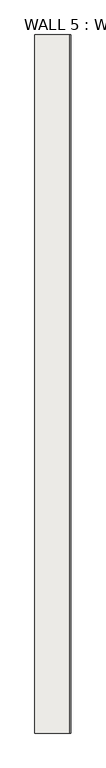
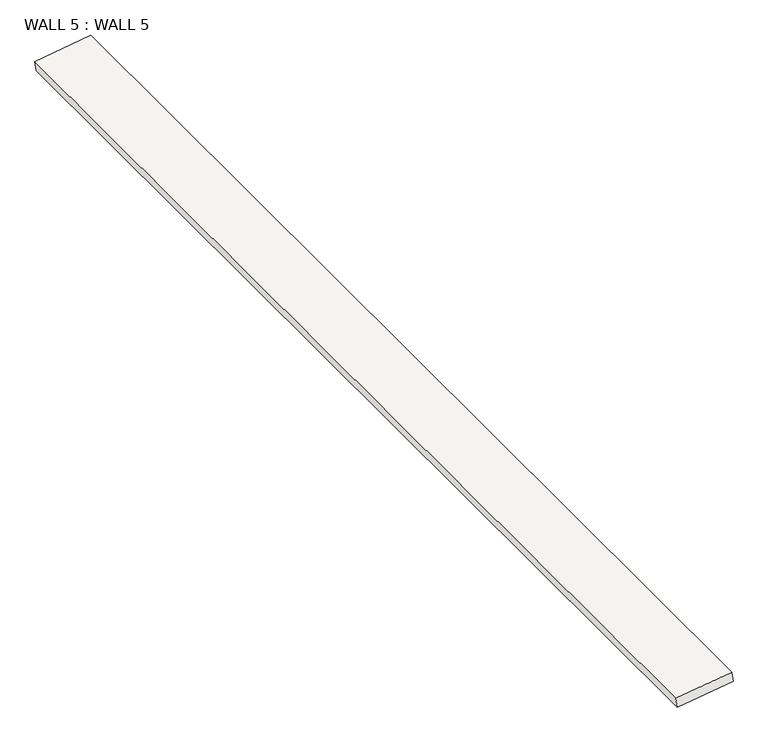
"""IFC4 building model written with IfcOpenShell, lengths in millimetres: slab geometry, WALL 5 : WALL 5."""

from ifc_helpers import new_model, si_unit, point, frame, frame_2d, origin, place, context, project, spatial, polyline, circle_curve, trimmed, segment, composite_curve, outline, extrude, source, transform, mapped, element, save


def wall_5_wall_5_63b1dda2(model_context):
    return source(origin(), model_context, "Body", "SweptSolid", [
        extrude(outline(composite_curve([segment(trimmed(circle_curve(frame_2d((-124606.8031675, -25638.127005)), 136722.6031675), [point((10504.7409784, -46565.1634745))], [point((10751.175704, -44906.956049))], True, "CARTESIAN"), True, "CONTINUOUS"), segment(polyline([(10751.175704, -44906.956049), (11052.463532, -44953.2137868)]), True, "CONTINUOUS"), segment(trimmed(circle_curve(frame_2d((-124606.8031675, -25638.127005)), 137027.4031675), [point((11052.463532, -44953.2137868))], [point((10806.0110824, -46611.418491))], False, "CARTESIAN"), True, "CONTINUOUS"), segment(polyline([(10806.0110824, -46611.418491), (10504.7409784, -46565.1634745)]), True, "CONTINUOUS")], self_intersect=False)), frame((0.0, -18826.959635, 0.0), z_axis=(0.0, 1.0, 0.0), x_axis=(0.0, 0.0, 1.0)), (0.0, 0.0, 1.0), 33045.4),
    ])


if __name__ == "__main__":
    model = new_model("IFC4")
    model_context = context("Model", 3, world=origin())
    ifc_project = project(units=[si_unit("LENGTHUNIT", "METRE", prefix="MILLI")], contexts=[model_context])
    site = spatial("IfcSite", under=ifc_project)
    building = spatial("IfcBuilding", under=site)
    placement = place(None, origin())
    wall_5_wall_5_shape = wall_5_wall_5_63b1dda2(model_context)
    element("IfcSlab", 1, ObjectType="WALL 5 : WALL 5", at=placement, inside=building, context=model_context, shape_type="MappedRepresentation", body=[
        mapped(wall_5_wall_5_shape, transform((0.0, 0.0, 0.0), x_axis=(1.0, 0.0, 0.0), y_axis=(0.0, 1.0, 0.0), z_axis=(0.0, 0.0, 1.0))),
    ])
    save(model, "model.ifc")
